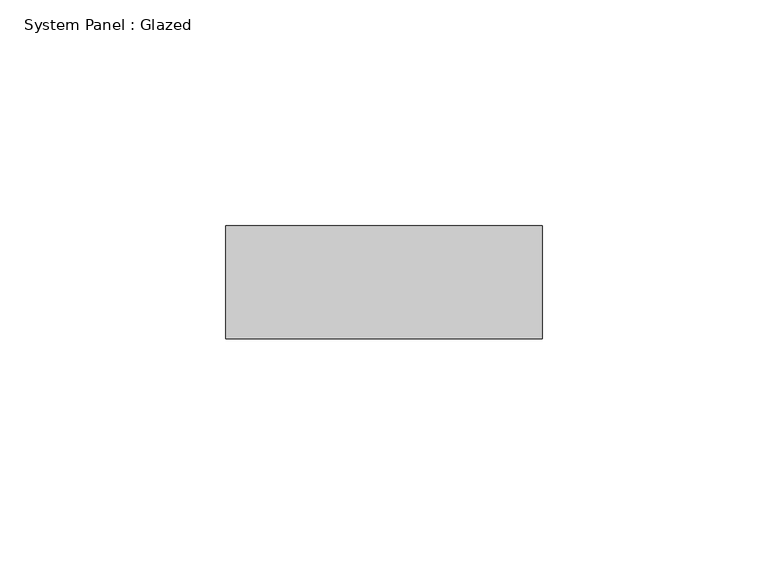
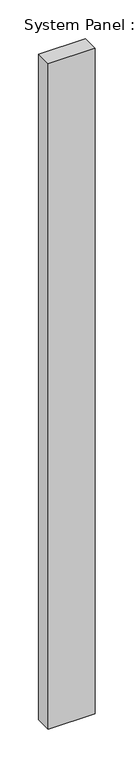
"""IFC4 building model written with IfcOpenShell, lengths in millimetres: plate geometry, System Panel : Glazed."""

import ifcopenshell
import ifcopenshell.guid

model = None  # the IFC model being written
_history = None  # IfcOwnerHistory: only IFC2X3 demands one
_inside = {}  # id of a spatial element -> (the spatial element, [elements in it])
_under = {}  # id of a project, library or spatial element -> (it, [spatial elements below it])
_declared = {}  # id of a project -> (the project, [libraries it declares])
_typed = {}  # id of a type object -> (the type object, [elements of that type])
_made_of = {}  # id of a material, layer set ... -> (it, [elements and type objects made of it])


def new_model(schema):
    """Start an empty IFC model of exactly this schema.

    Asked for "IFC4X3", IfcOpenShell would pick the latest addendum, in which some entities
    have other attributes; the version numbers below select the first issue.
    IFC2X3 requires an IfcOwnerHistory on every rooted entity: one is made here for all.
    """
    global model, _history
    if schema == "IFC4X3":
        model = ifcopenshell.file(schema_version=(4, 3, 0, 0))
    else:
        model = ifcopenshell.file(schema=schema)
    _inside.clear()
    _under.clear()
    _declared.clear()
    _typed.clear()
    _made_of.clear()
    _history = None
    if model.schema == "IFC2X3":
        org = make("IfcOrganization", Name="unknown")
        user = make(
            "IfcPersonAndOrganization",
            ThePerson=make("IfcPerson", FamilyName="unknown"),
            TheOrganization=org,
        )
        app = make(
            "IfcApplication",
            ApplicationDeveloper=org,
            Version="unknown",
            ApplicationFullName="unknown",
            ApplicationIdentifier="unknown",
        )
        _history = make(
            "IfcOwnerHistory",
            OwningUser=user,
            OwningApplication=app,
            ChangeAction="ADDED",
            CreationDate=0,
        )
    return model


def make(cls, **values):
    """One entity of the class cls with the attributes given. An attribute that is None is left unset."""
    return model.create_entity(
        cls, **{name: value for name, value in values.items() if value is not None}
    )


def rooted(cls, **values):
    """An entity with a GlobalId (a new one), such as an element, a storey or a relation."""
    return make(cls, GlobalId=ifcopenshell.guid.new(), OwnerHistory=_history, **values)


def si_unit(unit_type, name, prefix=None):
    """IfcSIUnit, for example si_unit("LENGTHUNIT", "METRE", prefix="MILLI")."""
    return make("IfcSIUnit", UnitType=unit_type, Prefix=prefix, Name=name)


def assignment(units):
    """IfcUnitAssignment: the units of a project."""
    return None if units is None else make("IfcUnitAssignment", Units=units)


def point(xyz):
    """IfcCartesianPoint."""
    return None if xyz is None else make("IfcCartesianPoint", Coordinates=xyz)


def direction(xyz):
    """IfcDirection."""
    return None if xyz is None else make("IfcDirection", DirectionRatios=xyz)


def frame(location, z_axis=None, x_axis=None):
    """IfcAxis2Placement3D, a coordinate frame: its origin and axes. An axis left out is left unset."""
    return make(
        "IfcAxis2Placement3D",
        Location=point(location),
        Axis=direction(z_axis),
        RefDirection=direction(x_axis),
    )


def origin():
    """The frame at (0, 0, 0) with its axes left unset."""
    return frame((0.0, 0.0, 0.0))


def origin_with_axes():
    """The frame at (0, 0, 0) with the z axis (0, 0, 1) and the x axis (1, 0, 0) written out."""
    return frame((0.0, 0.0, 0.0), z_axis=(0.0, 0.0, 1.0), x_axis=(1.0, 0.0, 0.0))


def place(relative_to, where):
    """IfcLocalPlacement: puts the frame where relative to a parent placement (None: the world)."""
    return make(
        "IfcLocalPlacement", PlacementRelTo=relative_to, RelativePlacement=where
    )


def context(
    kind, dimensions, precision=None, world=None, true_north=None, identifier=None
):
    """IfcGeometricRepresentationContext, for example the 3D "Model" context."""
    return make(
        "IfcGeometricRepresentationContext",
        ContextIdentifier=identifier,
        ContextType=kind,
        CoordinateSpaceDimension=dimensions,
        Precision=precision,
        WorldCoordinateSystem=world,
        TrueNorth=true_north,
    )


def project(units=None, contexts=None):
    """IfcProject with its units and contexts."""
    return rooted(
        "IfcProject",
        Name="project",
        RepresentationContexts=contexts,
        UnitsInContext=assignment(units),
    )


def spatial(cls, under=None, at=None, **own):
    """A site, building, storey or space (cls), placed at a placement, below another one or the project."""
    s = rooted(cls, ObjectPlacement=at, **own)
    if under is not None:
        _under.setdefault(under.id(), (under, []))[1].append(s)
    return s


def polyline(points):
    """IfcPolyline through the points."""
    return make("IfcPolyline", Points=[point(p) for p in points])


def outline(outer, holes=None, kind="AREA"):
    """IfcArbitraryClosedProfileDef: a profile drawn as a closed curve; with holes, ...WithVoids."""
    if holes is None:
        return make("IfcArbitraryClosedProfileDef", ProfileType=kind, OuterCurve=outer)
    return make(
        "IfcArbitraryProfileDefWithVoids",
        ProfileType=kind,
        OuterCurve=outer,
        InnerCurves=holes,
    )


def extrude(swept, where, along, depth):
    """IfcExtrudedAreaSolid: the profile swept, set in the frame where, extruded along a direction by depth."""
    return make(
        "IfcExtrudedAreaSolid",
        SweptArea=swept,
        Position=where,
        ExtrudedDirection=direction(along),
        Depth=depth,
    )


def shape(context_of_items, identifier, shape_type, items):
    """IfcShapeRepresentation: the items that make up one representation, for example the "Body"."""
    return make(
        "IfcShapeRepresentation",
        ContextOfItems=context_of_items,
        RepresentationIdentifier=identifier,
        RepresentationType=shape_type,
        Items=items,
    )


def source(mapping_origin, context_of_items, identifier, shape_type, items):
    """IfcRepresentationMap: a shape defined once, which mapped items show again and again."""
    return make(
        "IfcRepresentationMap",
        MappingOrigin=mapping_origin,
        MappedRepresentation=shape(context_of_items, identifier, shape_type, items),
    )


def transform(
    local_origin,
    x_axis=None,
    y_axis=None,
    z_axis=None,
    scale=None,
    scale2=None,
    scale3=None,
    uniform=True,
):
    """IfcCartesianTransformationOperator3D, or its non-uniform kind. x_axis, y_axis, z_axis: its Axis1, 2, 3."""
    if uniform:
        return make(
            "IfcCartesianTransformationOperator3D",
            Axis1=direction(x_axis),
            Axis2=direction(y_axis),
            LocalOrigin=point(local_origin),
            Scale=scale,
            Axis3=direction(z_axis),
        )
    return make(
        "IfcCartesianTransformationOperator3DnonUniform",
        Axis1=direction(x_axis),
        Axis2=direction(y_axis),
        LocalOrigin=point(local_origin),
        Scale=scale,
        Axis3=direction(z_axis),
        Scale2=scale2,
        Scale3=scale3,
    )


def mapped(mapping_source, mapping_target):
    """IfcMappedItem: shows the shape of a source again, moved by a transform."""
    return make(
        "IfcMappedItem", MappingSource=mapping_source, MappingTarget=mapping_target
    )


def made_of(thing, what):
    """Note that an element or type object is made of a material, layer set ...; save() writes the relation."""
    if what is not None:
        _made_of.setdefault(what.id(), (what, []))[1].append(thing)
    return thing


def element(
    cls,
    number,
    at=None,
    inside=None,
    cuts=None,
    type_object=None,
    material=None,
    context=None,
    identifier="Body",
    shape_type=None,
    held_by="IfcProductDefinitionShape",
    body=None,
    shapes=None,
    **own,
):
    """One element of the class cls, such as IfcWall. Its Tag is "e" and its number.

    at: its placement. inside: the storey or other place that contains it. cuts: it is an
    opening in that element (IfcRelVoidsElement). A single representation is given by context,
    identifier, shape_type and body (its items); several are given by shapes. held_by: the class
    of the entity that holds the representations. save() writes the other relations.
    """
    e = rooted(cls, Tag="e%d" % number, ObjectPlacement=at, **own)
    if body is not None:
        shapes = [shape(context, identifier, shape_type, body)]
    if shapes is not None:
        e.Representation = make(held_by, Representations=shapes)
    if inside is not None:
        _inside.setdefault(inside.id(), (inside, []))[1].append(e)
    if cuts is not None:
        rooted(
            "IfcRelVoidsElement", RelatingBuildingElement=cuts, RelatedOpeningElement=e
        )
    if type_object is not None:
        _typed.setdefault(type_object.id(), (type_object, []))[1].append(e)
    return made_of(e, material)


def aggregate(whole, parts):
    """IfcRelAggregates: a whole, such as a stair, and the parts it consists of."""
    return rooted("IfcRelAggregates", RelatingObject=whole, RelatedObjects=parts)


def save(model, path):
    """Write the relations noted so far, then the file.

    IfcRelAggregates (storeys below a building ...), IfcRelContainedInSpatialStructure (elements
    in a storey), IfcRelDefinesByType, IfcRelAssociatesMaterial and IfcRelDeclares: one each for
    every whole, place, type object, material and project.
    """
    for whole, parts in _under.values():
        aggregate(whole, parts)
    for where, things in _inside.values():
        rooted(
            "IfcRelContainedInSpatialStructure",
            RelatedElements=things,
            RelatingStructure=where,
        )
    for kind, things in _typed.values():
        rooted("IfcRelDefinesByType", RelatedObjects=things, RelatingType=kind)
    for what, things in _made_of.values():
        rooted("IfcRelAssociatesMaterial", RelatedObjects=things, RelatingMaterial=what)
    for by, libraries in _declared.values():
        rooted("IfcRelDeclares", RelatingContext=by, RelatedDefinitions=libraries)
    model.write(path)


def system_panel_glazed_e65dd73e(model_context):
    return source(origin(), model_context, "Body", "SweptSolid", [
        extrude(outline(polyline([(35.0, -49.5), (-35.0, -49.5), (-35.0, -24.5), (35.0, -24.5), (35.0, -49.5)])), origin_with_axes(), (0.0, 0.0, 1.0), 1048.3333333),
    ])


if __name__ == "__main__":
    model = new_model("IFC4")
    model_context = context("Model", 3, world=origin())
    ifc_project = project(units=[si_unit("LENGTHUNIT", "METRE", prefix="MILLI")], contexts=[model_context])
    site = spatial("IfcSite", under=ifc_project)
    building = spatial("IfcBuilding", under=site)
    placement = place(None, origin())
    system_panel_glazed_shape = system_panel_glazed_e65dd73e(model_context)
    element("IfcPlate", 1, ObjectType="System Panel : Glazed", at=placement, inside=building, context=model_context, shape_type="MappedRepresentation", body=[
        mapped(system_panel_glazed_shape, transform((0.0, 0.0, 0.0), x_axis=(1.0, 0.0, 0.0), y_axis=(0.0, 1.0, 0.0), z_axis=(0.0, 0.0, 1.0))),
    ])
    save(model, "model.ifc")
